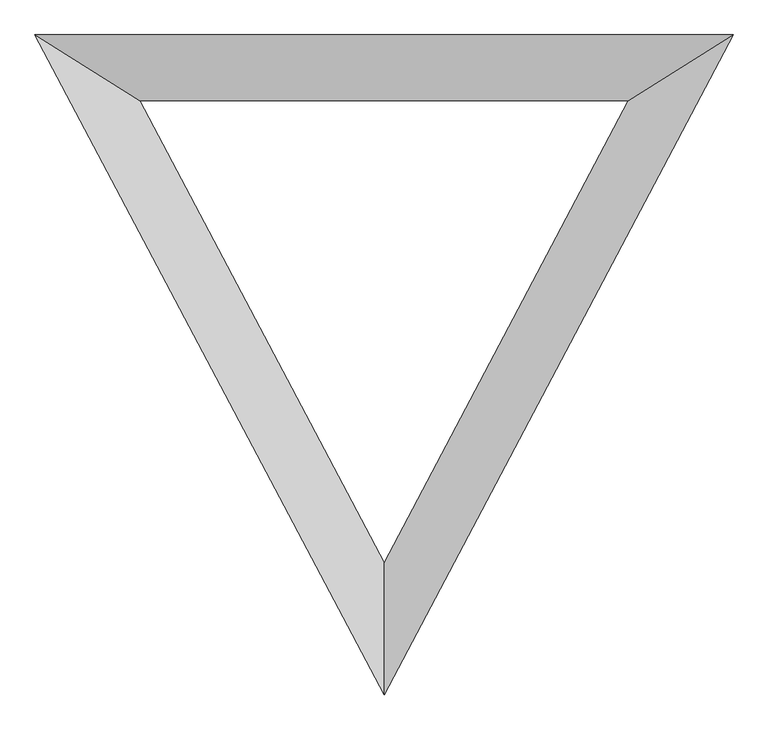
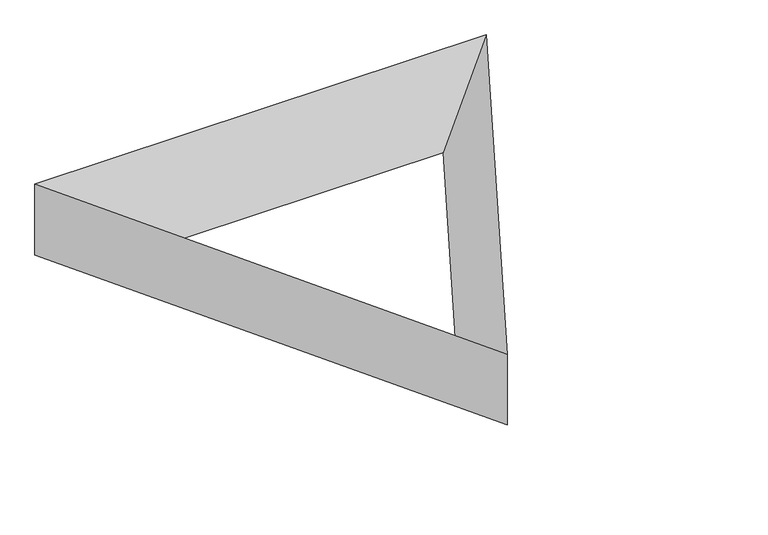
"""IFC4 building model written with IfcOpenShell, lengths in millimetres: plate geometry."""

from ifc_helpers import new_model, si_unit, origin, place, context, project, spatial, faceted_brep, source, transform, mapped, element, save


def plate_922eb3b0(model_context):
    return source(origin(), model_context, "Body", "Brep", [
        faceted_brep([(6096.0, 2413.3333333, 0.0), (8210.2857143, 6413.3333333, 0.0), (8210.2857143, 6413.3333333, 700.0), (6096.0, 2413.3333333, 700.0), (6096.0, 6413.3333333, 0.0), (3981.7142857, 6413.3333333, 700.0), (3981.7142857, 6413.3333333, 0.0), (7576.0, 6013.3333333, 0.0), (4616.0, 6013.3333333, 0.0), (6096.0, 3213.3333333, 0.0)], [[[0, 1, 2, 3]], [[2, 1, 4, 5]], [[5, 4, 6]], [[0, 3, 5, 6]], [[1, 0, 6, 4], [7, 8, 9]], [[7, 2, 5, 8]], [[8, 5, 3, 9]], [[2, 7, 9, 3]]]),
    ])


if __name__ == "__main__":
    model = new_model("IFC4")
    model_context = context("Model", 3, world=origin())
    ifc_project = project(units=[si_unit("LENGTHUNIT", "METRE", prefix="MILLI")], contexts=[model_context])
    site = spatial("IfcSite", under=ifc_project)
    building = spatial("IfcBuilding", under=site)
    placement = place(None, origin())
    plate_shape = plate_922eb3b0(model_context)
    element("IfcPlate", 1, at=placement, inside=building, context=model_context, shape_type="MappedRepresentation", body=[
        mapped(plate_shape, transform((0.0, 0.0, 0.0), x_axis=(1.0, 0.0, 0.0), y_axis=(0.0, 1.0, 0.0), z_axis=(0.0, 0.0, 1.0))),
    ])
    save(model, "model.ifc")
